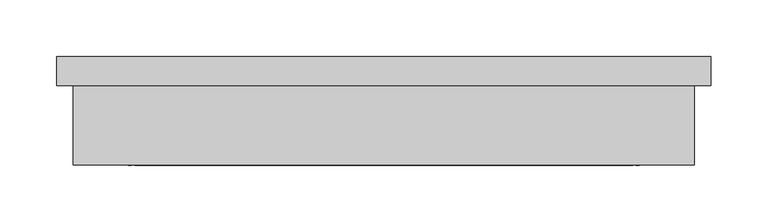
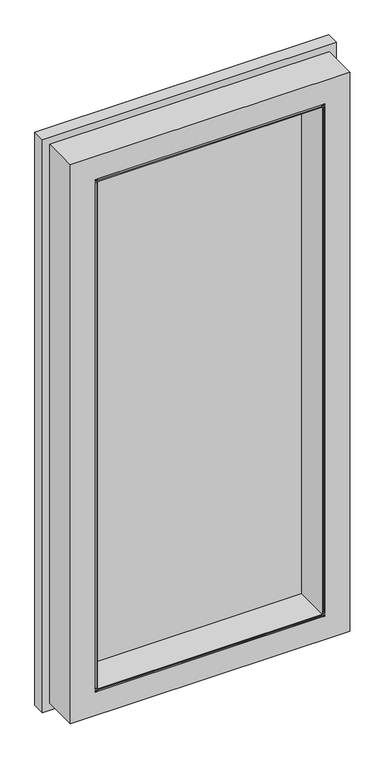
"""IFC4 building model written with IfcOpenShell, lengths in millimetres: plate geometry."""

from ifc_helpers import new_model, si_unit, frame, origin, place, context, project, spatial, polyline, outline, extrude, faceted_brep, source, transform, mapped, element, save


def plate_f8439563(model_context):
    return source(origin(), model_context, "Body", "SolidModel", [
        faceted_brep([(239.7125, -60.8115742, 1101.725), (239.7125, -60.8115742, 53.975), (263.525, -60.8115742, 53.975), (263.525, -60.8115742, 1101.725), (239.7125, -116.3740742, 1101.725), (239.7125, -116.3740742, 53.975), (239.7125, -116.3740742, 1139.825), (239.7125, -116.3740742, 1122.3628622), (239.7125, -65.3010206, 1122.3628622), (239.7125, -65.3003788, 1139.825), (239.7125, -65.3010206, 33.3375), (239.7125, -116.3740742, 33.3375), (239.7125, -116.3740742, 15.875), (239.7125, -65.3233665, 15.875), (-219.075, -51.2960937, 53.975), (-219.075, -121.1365742, 53.975), (219.075, -121.1365742, 53.975), (219.075, -51.2960937, 53.975), (224.63125, -118.7553242, 53.975), (257.175, -118.7553242, 53.975), (257.175, -65.3010206, 53.975), (263.525, -65.3010206, 53.975), (221.45625, -116.3740742, 53.975), (221.45625, -121.1365742, 53.975), (224.63125, -121.1365742, 53.975), (-257.175, -118.7553242, 53.975), (-224.63125, -118.7553242, 53.975), (-224.63125, -121.1365742, 53.975), (-221.45625, -121.1365742, 53.975), (-221.45625, -116.3740742, 53.975), (-239.7125, -116.3740742, 53.975), (-239.7125, -60.8115742, 53.975), (-263.525, -60.8115742, 53.975), (-263.525, -65.3010206, 53.975), (-257.175, -65.3010206, 53.975), (263.525, -65.3010206, 1101.725), (-247.66905, -25.8960937, 25.38095), (-247.66905, -25.8960937, 1130.31905), (-247.66905, -51.2960937, 1130.31905), (-247.66905, -51.2960937, 25.38095), (247.66905, -51.2960937, 25.38095), (247.66905, -25.8960937, 25.38095), (247.66905, -25.8960938, 1130.31905), (247.66905, -51.2960937, 1130.31905), (-287.3375, -51.2799304, -14.2875), (-287.3375, -51.2738742, 1169.9875), (-287.3375, -25.8960937, 1169.9875), (-287.3375, -25.8960937, -14.2875), (-219.075, -116.3740742, 51.59375), (-219.075, -121.1365742, 51.59375), (-219.075, -121.1365742, 48.41875), (-219.075, -118.7553242, 48.41875), (-219.075, -118.7553242, 15.875), (-219.075, -65.3233665, 15.875), (-219.075, -65.3233665, 33.3375), (-219.075, -116.3740742, 33.3375), (-219.075, -121.1365742, 1101.725), (-219.075, -51.2960937, 1101.725), (-219.075, -121.1365742, 1107.28125), (-219.075, -121.1365742, 1104.1283065), (-219.075, -116.3739915, 1104.1283065), (-219.075, -116.3739915, 1122.3628622), (-219.075, -65.3010206, 1122.3628622), (-219.075, -65.3003788, 1139.825), (-219.075, -118.7553242, 1139.825), (-219.075, -118.7553242, 1107.28125), (219.075, -51.2960937, 1101.725), (219.075, -121.1365742, 1101.725), (219.075, -121.1365742, 51.59375), (219.075, -116.3740742, 51.59375), (219.075, -116.3740742, 33.3375), (219.075, -65.3010206, 33.3375), (219.075, -65.3233665, 15.875), (219.075, -118.7553242, 15.875), (219.075, -118.7553242, 48.41875), (219.075, -121.1365742, 48.41875), (219.075, -121.1365742, 1104.1283065), (219.075, -121.1365742, 1107.28125), (219.075, -118.7553242, 1107.28125), (219.075, -118.7553242, 1139.825), (219.075, -65.3003788, 1139.825), (219.075, -65.3003788, 1122.3628622), (219.075, -116.3739915, 1122.3628622), (219.075, -116.3740742, 1104.1283065), (-257.175, -116.3740742, 33.3375), (-257.175, -65.3010206, 33.3375), (-239.7125, -65.3010206, 33.3375), (-239.7125, -116.3740742, 33.3375), (257.175, -65.3010206, 33.3375), (257.175, -116.3740742, 33.3375), (-257.175, -65.3233665, 15.875), (-239.7125, -65.3233665, 15.875), (257.175, -65.3233665, 15.875), (-257.175, -118.7553242, 15.875), (-221.45625, -118.7553242, 15.875), (-221.45625, -116.3740742, 15.875), (-239.7125, -116.3740742, 15.875), (257.175, -118.7553242, 15.875), (221.45625, -116.3740742, 15.875), (221.45625, -118.7553242, 15.875), (-224.63125, -121.1365742, 48.41875), (-221.45625, -121.1365742, 48.41875), (-221.45625, -118.7553242, 48.41875), (-224.63125, -118.7553242, 48.41875), (221.45625, -121.1365742, 48.41875), (224.63125, -121.1365742, 48.41875), (224.63125, -118.7553242, 48.41875), (221.45625, -118.7553242, 48.41875), (-221.45625, -121.1365742, 1101.725), (-221.45625, -116.3740742, 1101.725), (-221.45625, -121.1365742, 1104.1283065), (-221.45625, -121.1365742, 1107.28125), (-221.45625, -118.7553242, 1107.28125), (-221.45625, -118.7553242, 1139.825), (-221.45625, -116.3740742, 1139.825), (-221.45625, -116.3739915, 1104.1283065), (-221.45625, -121.1365742, 51.59375), (-221.45625, -116.3740742, 51.59375), (257.175, -118.7553242, 51.59375), (224.63125, -118.7553242, 51.59375), (224.63125, -121.1365742, 51.59375), (221.45625, -121.1365742, 51.59375), (221.45625, -116.3740742, 51.59375), (257.175, -116.3740742, 51.59375), (-224.63125, -118.7553242, 51.59375), (-257.175, -118.7553242, 51.59375), (-257.175, -116.3740742, 51.59375), (-224.63125, -121.1365742, 51.59375), (221.45625, -121.1365742, 1101.725), (221.45625, -116.3740742, 1101.725), (221.45625, -121.1365742, 1107.28125), (221.45625, -121.1365742, 1104.1283065), (221.45625, -116.3739915, 1104.1283065), (221.45625, -116.3740742, 1139.825), (221.45625, -118.7553242, 1139.825), (221.45625, -118.7553242, 1107.28125), (-224.63125, -118.7553242, 1101.725), (-224.63125, -121.1365742, 1101.725), (-224.63125, -118.7553242, 1107.28125), (-224.63125, -121.1365742, 1107.28125), (-224.63125, -121.1365742, 1104.1283065), (-224.63125, -118.7553242, 1104.1283065), (224.63125, -121.1365742, 1101.725), (224.63125, -118.7553242, 1101.725), (224.63125, -121.1365742, 1107.28125), (224.63125, -118.7553242, 1107.28125), (224.63125, -118.7553242, 1104.1283065), (224.63125, -121.1365742, 1104.1283065), (-239.7125, -116.3740742, 1101.725), (-239.7125, -60.8115742, 1101.725), (-239.7125, -116.3739915, 1122.3628622), (-239.7125, -116.3740742, 1139.825), (-239.7125, -65.3003788, 1139.825), (-239.7125, -65.3003788, 1122.3628622), (-257.175, -65.3010206, 1101.725), (-257.175, -118.7553242, 1101.725), (-257.175, -65.3010206, 1139.825), (-257.175, -118.7553242, 1139.825), (-257.175, -118.7553242, 1104.1283065), (-257.175, -116.3739915, 1104.1283065), (-257.175, -116.3739915, 1122.3628622), (-257.175, -65.3010206, 1122.3628622), (257.175, -118.7553242, 1101.725), (257.175, -65.3010206, 1101.725), (257.175, -118.7553242, 1139.825), (257.175, -65.3010206, 1139.825), (257.175, -65.3003788, 1122.3628622), (257.175, -116.3739915, 1122.3628622), (257.175, -116.3739915, 1104.1283065), (257.175, -118.7553242, 1104.1283065), (-263.525, -60.8115742, 1101.725), (-263.525, -65.3010206, 1101.725), (287.3375, -51.2738742, 1169.9875), (287.3375, -25.8960938, 1169.9875), (287.3375, -51.2738742, -14.2875), (-273.05, -51.2738742, 1155.7), (273.05, -51.2738742, 1155.7), (273.05, -51.2738742, 0.0), (-273.05, -51.2738742, 0.0), (287.3375, -25.8960938, -14.2875), (-273.05, -121.1365742, 0.0), (273.05, -121.1365742, 0.0), (273.05, -121.1365742, 1155.7), (-273.05, -121.1365742, 1155.7)], [[[0, 1, 2, 3]], [[1, 0, 4, 5]], [[6, 7, 8, 9]], [[10, 11, 12, 13]], [[14, 15, 16, 17]], [[18, 19, 20, 21, 2, 1, 5, 22, 23, 24]], [[25, 26, 27, 28, 29, 30, 31, 32, 33, 34]], [[21, 35, 3, 2]], [[36, 37, 38, 39]], [[36, 39, 40, 41]], [[42, 41, 40, 43]], [[44, 45, 46, 47]], [[48, 49, 50, 51, 52, 53, 54, 55]], [[56, 15, 14, 57]], [[58, 59, 60, 61, 62, 63, 64, 65]], [[66, 17, 16, 67]], [[68, 69, 70, 71, 72, 73, 74, 75]], [[76, 77, 78, 79, 80, 81, 82, 83]], [[55, 54, 71, 70]], [[84, 85, 86, 87]], [[88, 89, 11, 10]], [[86, 85, 90, 91]], [[71, 54, 53, 72]], [[88, 10, 13, 92]], [[52, 73, 72, 53]], [[90, 93, 94, 95, 96, 91]], [[97, 92, 13, 12, 98, 99]], [[50, 75, 74, 51]], [[100, 101, 102, 103]], [[104, 105, 106, 107]], [[28, 108, 109, 29]], [[110, 111, 112, 113, 114, 115]], [[116, 117, 95, 94, 102, 101]], [[49, 48, 69, 68]], [[118, 119, 120, 121, 122, 123]], [[124, 125, 126, 117, 116, 127]], [[122, 121, 104, 107, 99, 98]], [[128, 23, 22, 129]], [[130, 131, 132, 133, 134, 135]], [[124, 127, 100, 103]], [[27, 26, 136, 137]], [[138, 139, 140, 141]], [[120, 119, 106, 105]], [[18, 24, 142, 143]], [[144, 145, 146, 147]], [[87, 86, 91, 96]], [[30, 148, 149, 31]], [[150, 151, 152, 153]], [[126, 125, 93, 90, 85, 84]], [[25, 34, 154, 155]], [[156, 157, 158, 159, 160, 161]], [[118, 123, 89, 88, 92, 97]], [[20, 19, 162, 163]], [[164, 165, 166, 167, 168, 169]], [[31, 149, 170, 32]], [[171, 33, 32, 170]], [[56, 57, 66, 67]], [[162, 143, 142, 128, 129, 4, 0, 3, 35, 163]], [[136, 155, 154, 171, 170, 149, 148, 109, 108, 137]], [[38, 37, 42, 43]], [[156, 161, 153, 152]], [[166, 165, 9, 8]], [[63, 62, 81, 80]], [[161, 160, 150, 153]], [[167, 166, 8, 7]], [[62, 61, 82, 81]], [[60, 59, 76, 83]], [[158, 141, 140, 110, 115, 159]], [[146, 169, 168, 132, 131, 147]], [[139, 138, 112, 111]], [[145, 144, 130, 135]], [[58, 65, 78, 77]], [[157, 156, 152, 151, 114, 113]], [[165, 164, 134, 133, 6, 9]], [[64, 63, 80, 79]], [[46, 45, 172, 173]], [[44, 174, 172, 45], [175, 176, 177, 178]], [[46, 173, 179, 47], [37, 36, 41, 42]], [[174, 44, 47, 179]], [[173, 172, 174, 179]], [[119, 118, 97, 99, 107, 106]], [[125, 124, 103, 102, 94, 93]], [[19, 18, 143, 162]], [[26, 25, 155, 136]], [[51, 74, 73, 52]], [[138, 141, 158, 157, 113, 112]], [[164, 169, 146, 145, 135, 134]], [[65, 64, 79, 78]], [[180, 181, 182, 183], [121, 120, 105, 104], [127, 116, 101, 100], [49, 68, 75, 50], [27, 137, 108, 28], [140, 139, 111, 110], [142, 24, 23, 128], [15, 56, 67, 16], [144, 147, 131, 130], [59, 58, 77, 76]], [[180, 178, 177, 181]], [[177, 176, 182, 181]], [[183, 175, 178, 180]], [[21, 20, 163, 35]], [[34, 33, 171, 154]], [[126, 84, 87, 96, 95, 117]], [[160, 159, 115, 114, 151, 150]], [[89, 123, 122, 98, 12, 11]], [[168, 167, 7, 6, 133, 132]], [[129, 22, 5, 4]], [[29, 109, 148, 30]], [[48, 55, 70, 69]], [[61, 60, 83, 82]], [[39, 38, 43, 40], [57, 14, 17, 66]], [[182, 176, 175, 183]]]),
        extrude(outline(polyline([(247.66905, -25.8960937), (247.66905, -51.2960937), (-247.66905, -51.2960937), (-247.66905, -25.8960937), (247.66905, -25.8960937)])), frame((0.0, 0.0, 25.38095), z_axis=(0.0, 0.0, 1.0), x_axis=(1.0, 0.0, 0.0)), (0.0, 0.0, 1.0), 1104.9381),
    ])


if __name__ == "__main__":
    model = new_model("IFC4")
    model_context = context("Model", 3, world=origin())
    ifc_project = project(units=[si_unit("LENGTHUNIT", "METRE", prefix="MILLI")], contexts=[model_context])
    site = spatial("IfcSite", under=ifc_project)
    building = spatial("IfcBuilding", under=site)
    placement = place(None, origin())
    plate_shape = plate_f8439563(model_context)
    element("IfcPlate", 1, at=placement, inside=building, context=model_context, shape_type="MappedRepresentation", body=[
        mapped(plate_shape, transform((0.0, 0.0, 0.0), x_axis=(1.0, 0.0, 0.0), y_axis=(0.0, 1.0, 0.0), z_axis=(0.0, 0.0, 1.0))),
    ])
    save(model, "model.ifc")
